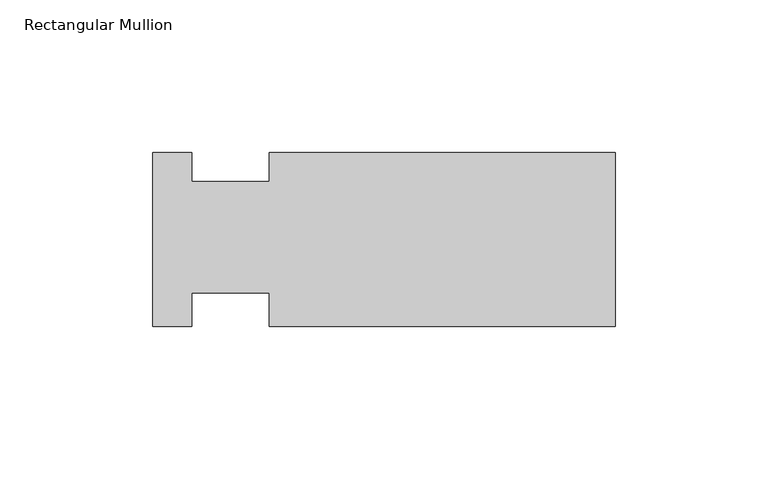
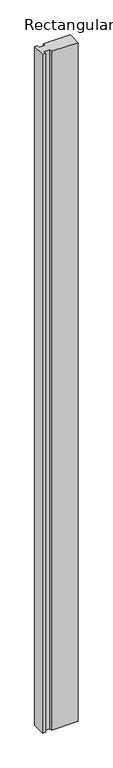
"""IFC4 building model written with IfcOpenShell, lengths in millimetres: member geometry, Rectangular Mullion."""

from ifc_helpers import new_model, si_unit, frame, origin, place, context, project, spatial, polyline, outline, extrude, source, transform, mapped, element, save


def rectangular_mullion_02c355d2(model_context):
    return source(origin(), model_context, "Body", "SweptSolid", [
        extrude(outline(polyline([(-151.6888, -28.575), (-151.6888, 28.575), (-138.8027648, 28.575), (-138.8027648, 19.05), (-113.4027648, 19.05), (-113.4027648, 28.575), (0.0, 28.575), (0.0, -28.575), (-113.4027648, -28.575), (-113.4027648, -17.4625), (-138.8027648, -17.4625), (-138.8027648, -28.575), (-151.6888, -28.575)])), frame((0.0, 0.0, -3048.0), z_axis=(0.0, 0.0, 1.0), x_axis=(1.0, 0.0, 0.0)), (0.0, 0.0, 1.0), 3048.0),
    ])


if __name__ == "__main__":
    model = new_model("IFC4")
    model_context = context("Model", 3, world=origin())
    ifc_project = project(units=[si_unit("LENGTHUNIT", "METRE", prefix="MILLI")], contexts=[model_context])
    site = spatial("IfcSite", under=ifc_project)
    building = spatial("IfcBuilding", under=site)
    placement = place(None, origin())
    rectangular_mullion_shape = rectangular_mullion_02c355d2(model_context)
    element("IfcMember", 1, ObjectType="Rectangular Mullion", at=placement, inside=building, context=model_context, shape_type="MappedRepresentation", body=[
        mapped(rectangular_mullion_shape, transform((0.0, 0.0, 0.0), x_axis=(1.0, 0.0, 0.0), y_axis=(0.0, 1.0, 0.0), z_axis=(0.0, 0.0, 1.0))),
    ])
    save(model, "model.ifc")
